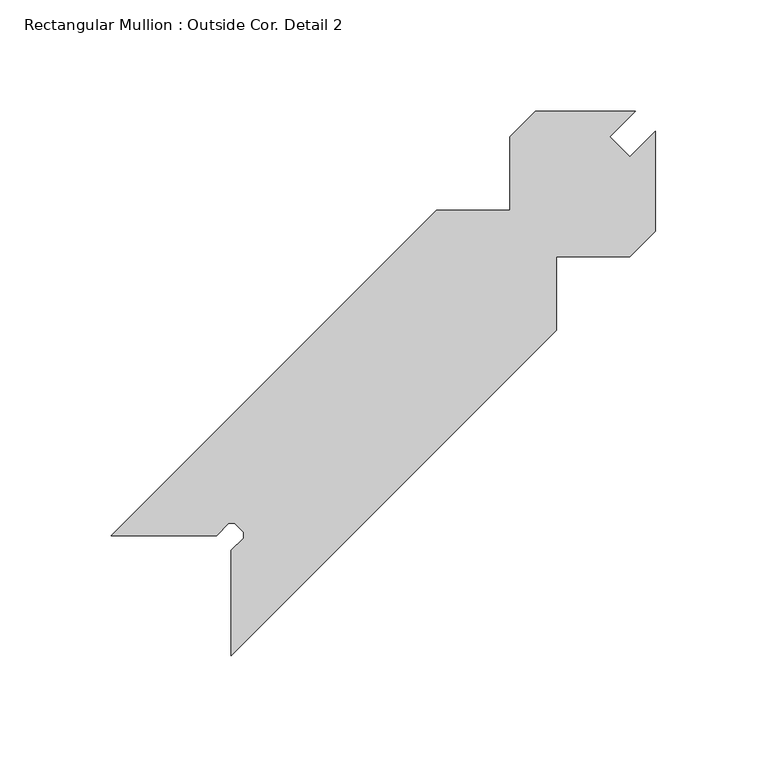
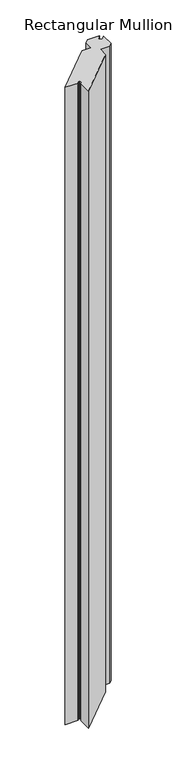
"""IFC4 building model written with IfcOpenShell, lengths in millimetres: member geometry, Rectangular Mullion : Outside Cor. Detail 2."""

from ifc_helpers import new_model, si_unit, frame, origin, place, context, project, spatial, polyline, outline, extrude, source, transform, mapped, element, save


def rectangular_mullion_outside_cor_detail_2_2b60d9be(model_context):
    return source(origin(), model_context, "Body", "SweptSolid", [
        extrude(outline(polyline([(-74.0548559, -72.4673559), (-220.1048559, -218.5173559), (-220.1048559, -171.2733559), (-214.6011926, -165.7696926), (-214.6011926, -163.0356192), (-218.5127926, -159.1240192), (-221.2305926, -159.1240192), (-226.7423926, -164.6358192), (-273.9863926, -164.6358192), (-127.9363926, -18.5858192), (-94.9163926, -18.5858192), (-94.9163926, 14.4341808), (-83.4863926, 25.8641808), (-38.6045926, 25.8641808), (-50.0492456, 14.4195279), (-41.0495088, 5.4197912), (-29.6048559, 16.8644441), (-29.6048559, -28.0173559), (-41.0348559, -39.4473559), (-74.0548559, -39.4473559), (-74.0548559, -72.4673559)])), frame((0.0, 0.0, -2438.4), z_axis=(0.0, 0.0, 1.0), x_axis=(1.0, 0.0, 0.0)), (0.0, 0.0, 1.0), 2438.4),
    ])


if __name__ == "__main__":
    model = new_model("IFC4")
    model_context = context("Model", 3, world=origin())
    ifc_project = project(units=[si_unit("LENGTHUNIT", "METRE", prefix="MILLI")], contexts=[model_context])
    site = spatial("IfcSite", under=ifc_project)
    building = spatial("IfcBuilding", under=site)
    placement = place(None, origin())
    rectangular_mullion_outside_cor_detail_2_shape = rectangular_mullion_outside_cor_detail_2_2b60d9be(model_context)
    element("IfcMember", 1, ObjectType="Rectangular Mullion : Outside Cor. Detail 2", at=placement, inside=building, context=model_context, shape_type="MappedRepresentation", body=[
        mapped(rectangular_mullion_outside_cor_detail_2_shape, transform((0.0, 0.0, 0.0), x_axis=(1.0, 0.0, 0.0), y_axis=(0.0, 1.0, 0.0), z_axis=(0.0, 0.0, 1.0))),
    ])
    save(model, "model.ifc")
